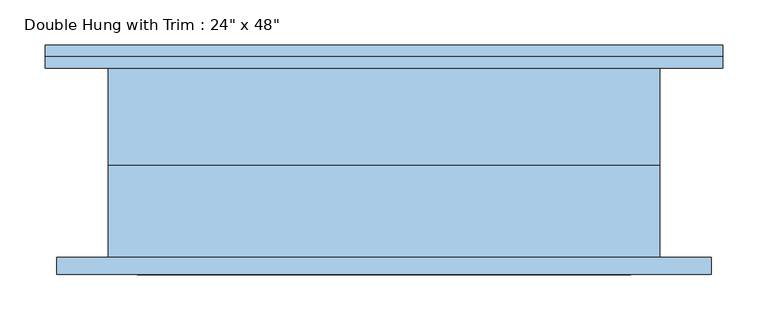
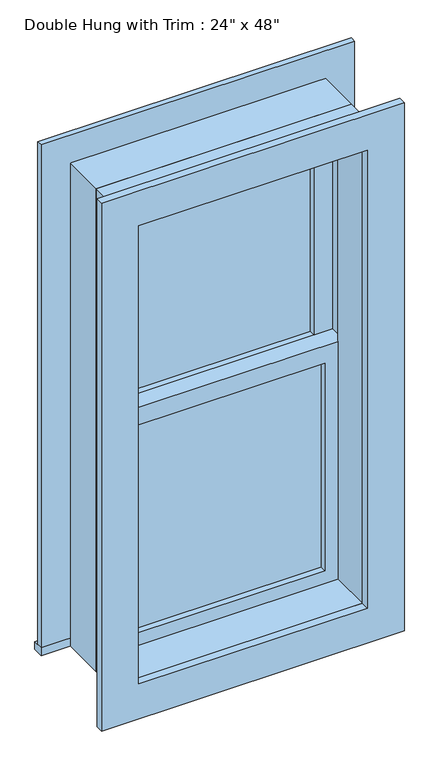
"""IFC4 building model written with IfcOpenShell, lengths in millimetres: window geometry."""

from ifc_helpers import new_model, si_unit, frame, origin, place, context, project, spatial, polyline, outline, extrude, source, transform, mapped, element, save


def window_8ac5d48e(model_context):
    return source(origin(), model_context, "Body", "SweptSolid", [
        extrude(outline(polyline([(-241.3, 25.4), (241.3, 25.4), (241.3, 12.7), (-241.3, 12.7), (-241.3, 25.4)])), frame((0.0, 0.0, 977.9), z_axis=(0.0, 0.0, 1.0), x_axis=(1.0, 0.0, 0.0)), (0.0, 0.0, 1.0), 523.875),
        extrude(outline(polyline([(1546.225, -285.75), (933.45, -285.75), (933.45, 285.75), (1546.225, 285.75), (1546.225, -285.75)]), holes=[polyline([(1501.775, -241.3), (1501.775, 241.3), (977.9, 241.3), (977.9, -241.3), (1501.775, -241.3)])]), frame((0.0, -3.175, 0.0), z_axis=(0.0, 1.0, 0.0), x_axis=(0.0, 0.0, 1.0)), (0.0, 0.0, 1.0), 44.45),
        extrude(outline(polyline([(-374.65, 130.175), (374.65, 130.175), (374.65, 104.775), (-374.65, 104.775), (-374.65, 130.175)])), frame((0.0, 0.0, 914.4), z_axis=(0.0, 0.0, 1.0), x_axis=(1.0, 0.0, 0.0)), (0.0, 0.0, 1.0), 19.05),
        extrude(outline(polyline([(2114.55, -285.75), (2114.55, 285.75), (933.45, 285.75), (933.45, 374.65), (2203.45, 374.65), (2203.45, -374.65), (933.45, -374.65), (933.45, -285.75), (2114.55, -285.75)])), frame((0.0, 104.775, 0.0), z_axis=(0.0, 1.0, 0.0), x_axis=(0.0, 0.0, 1.0)), (0.0, 0.0, 1.0), 12.7),
        extrude(outline(polyline([(2190.75, 361.95), (2190.75, -361.95), (857.25, -361.95), (857.25, 361.95), (2190.75, 361.95)]), holes=[polyline([(2101.85, 273.05), (946.15, 273.05), (946.15, -273.05), (2101.85, -273.05), (2101.85, 273.05)])]), frame((0.0, -123.825, 0.0), z_axis=(0.0, 1.0, 0.0), x_axis=(0.0, 0.0, 1.0)), (0.0, 0.0, 1.0), 19.05),
        extrude(outline(polyline([(241.3, 57.15), (-241.3, 57.15), (-241.3, 69.85), (241.3, 69.85), (241.3, 57.15)])), frame((0.0, 0.0, 1546.225), z_axis=(0.0, 0.0, 1.0), x_axis=(1.0, 0.0, 0.0)), (0.0, 0.0, 1.0), 523.875),
        extrude(outline(polyline([(2114.55, -285.75), (1501.775, -285.75), (1501.775, 285.75), (2114.55, 285.75), (2114.55, -285.75)]), holes=[polyline([(2070.1, -241.3), (2070.1, 241.3), (1546.225, 241.3), (1546.225, -241.3), (2070.1, -241.3)])]), frame((0.0, 41.275, 0.0), z_axis=(0.0, 1.0, 0.0), x_axis=(0.0, 0.0, 1.0)), (0.0, 0.0, 1.0), 44.45),
        extrude(outline(polyline([(2133.6, -304.8), (914.4, -304.8), (914.4, 304.8), (2133.6, 304.8), (2133.6, -304.8)]), holes=[polyline([(2101.85, -273.05), (2101.85, 273.05), (946.15, 273.05), (946.15, -273.05), (2101.85, -273.05)])]), frame((0.0, -104.775, 0.0), z_axis=(0.0, 1.0, 0.0), x_axis=(0.0, 0.0, 1.0)), (0.0, 0.0, 1.0), 101.6),
        extrude(outline(polyline([(2133.6, 304.8), (2133.6, -304.8), (914.4, -304.8), (914.4, 304.8), (2133.6, 304.8)]), holes=[polyline([(2114.55, 285.75), (933.45, 285.75), (933.45, -285.75), (2114.55, -285.75), (2114.55, 285.75)])]), frame((0.0, -3.175, 0.0), z_axis=(0.0, 1.0, 0.0), x_axis=(0.0, 0.0, 1.0)), (0.0, 0.0, 1.0), 107.95),
    ])


if __name__ == "__main__":
    model = new_model("IFC4")
    model_context = context("Model", 3, world=origin())
    ifc_project = project(units=[si_unit("LENGTHUNIT", "METRE", prefix="MILLI")], contexts=[model_context])
    site = spatial("IfcSite", under=ifc_project)
    building = spatial("IfcBuilding", under=site)
    placement = place(None, origin())
    window_shape = window_8ac5d48e(model_context)
    element("IfcWindow", 1, ObjectType="Double Hung with Trim : 24\" x 48\"", at=placement, inside=building, context=model_context, shape_type="MappedRepresentation", body=[
        mapped(window_shape, transform((0.0, 0.0, 0.0), x_axis=(1.0, 0.0, 0.0), y_axis=(0.0, 1.0, 0.0), z_axis=(0.0, 0.0, 1.0))),
    ])
    save(model, "model.ifc")
